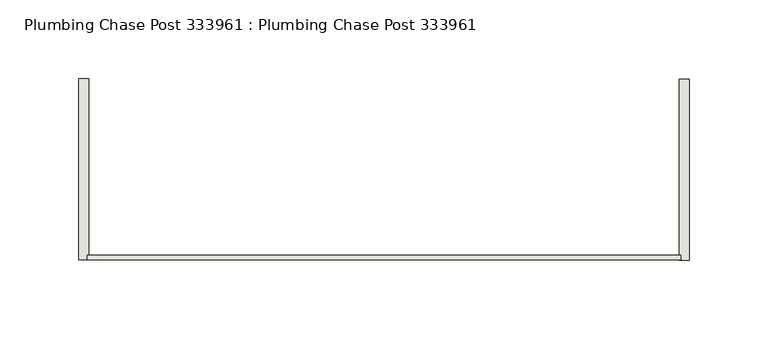
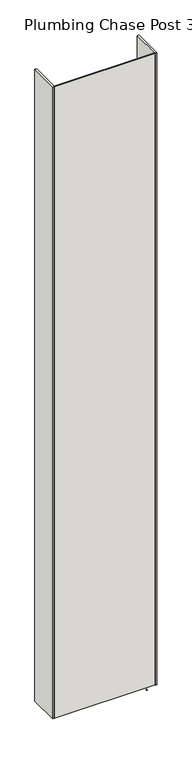
"""IFC4 building model written with IfcOpenShell, lengths in millimetres: wall geometry, Plumbing Chase Post 333961 : Plumbing Chase Post 333961."""

import ifcopenshell
import ifcopenshell.guid

model = None  # the IFC model being written
_history = None  # IfcOwnerHistory: only IFC2X3 demands one
_inside = {}  # id of a spatial element -> (the spatial element, [elements in it])
_under = {}  # id of a project, library or spatial element -> (it, [spatial elements below it])
_declared = {}  # id of a project -> (the project, [libraries it declares])
_typed = {}  # id of a type object -> (the type object, [elements of that type])
_made_of = {}  # id of a material, layer set ... -> (it, [elements and type objects made of it])


def new_model(schema):
    """Start an empty IFC model of exactly this schema.

    Asked for "IFC4X3", IfcOpenShell would pick the latest addendum, in which some entities
    have other attributes; the version numbers below select the first issue.
    IFC2X3 requires an IfcOwnerHistory on every rooted entity: one is made here for all.
    """
    global model, _history
    if schema == "IFC4X3":
        model = ifcopenshell.file(schema_version=(4, 3, 0, 0))
    else:
        model = ifcopenshell.file(schema=schema)
    _inside.clear()
    _under.clear()
    _declared.clear()
    _typed.clear()
    _made_of.clear()
    _history = None
    if model.schema == "IFC2X3":
        org = make("IfcOrganization", Name="unknown")
        user = make(
            "IfcPersonAndOrganization",
            ThePerson=make("IfcPerson", FamilyName="unknown"),
            TheOrganization=org,
        )
        app = make(
            "IfcApplication",
            ApplicationDeveloper=org,
            Version="unknown",
            ApplicationFullName="unknown",
            ApplicationIdentifier="unknown",
        )
        _history = make(
            "IfcOwnerHistory",
            OwningUser=user,
            OwningApplication=app,
            ChangeAction="ADDED",
            CreationDate=0,
        )
    return model


def make(cls, **values):
    """One entity of the class cls with the attributes given. An attribute that is None is left unset."""
    return model.create_entity(
        cls, **{name: value for name, value in values.items() if value is not None}
    )


def rooted(cls, **values):
    """An entity with a GlobalId (a new one), such as an element, a storey or a relation."""
    return make(cls, GlobalId=ifcopenshell.guid.new(), OwnerHistory=_history, **values)


def si_unit(unit_type, name, prefix=None):
    """IfcSIUnit, for example si_unit("LENGTHUNIT", "METRE", prefix="MILLI")."""
    return make("IfcSIUnit", UnitType=unit_type, Prefix=prefix, Name=name)


def assignment(units):
    """IfcUnitAssignment: the units of a project."""
    return None if units is None else make("IfcUnitAssignment", Units=units)


def point(xyz):
    """IfcCartesianPoint."""
    return None if xyz is None else make("IfcCartesianPoint", Coordinates=xyz)


def direction(xyz):
    """IfcDirection."""
    return None if xyz is None else make("IfcDirection", DirectionRatios=xyz)


def frame(location, z_axis=None, x_axis=None):
    """IfcAxis2Placement3D, a coordinate frame: its origin and axes. An axis left out is left unset."""
    return make(
        "IfcAxis2Placement3D",
        Location=point(location),
        Axis=direction(z_axis),
        RefDirection=direction(x_axis),
    )


def origin():
    """The frame at (0, 0, 0) with its axes left unset."""
    return frame((0.0, 0.0, 0.0))


def place(relative_to, where):
    """IfcLocalPlacement: puts the frame where relative to a parent placement (None: the world)."""
    return make(
        "IfcLocalPlacement", PlacementRelTo=relative_to, RelativePlacement=where
    )


def context(
    kind, dimensions, precision=None, world=None, true_north=None, identifier=None
):
    """IfcGeometricRepresentationContext, for example the 3D "Model" context."""
    return make(
        "IfcGeometricRepresentationContext",
        ContextIdentifier=identifier,
        ContextType=kind,
        CoordinateSpaceDimension=dimensions,
        Precision=precision,
        WorldCoordinateSystem=world,
        TrueNorth=true_north,
    )


def project(units=None, contexts=None):
    """IfcProject with its units and contexts."""
    return rooted(
        "IfcProject",
        Name="project",
        RepresentationContexts=contexts,
        UnitsInContext=assignment(units),
    )


def spatial(cls, under=None, at=None, **own):
    """A site, building, storey or space (cls), placed at a placement, below another one or the project."""
    s = rooted(cls, ObjectPlacement=at, **own)
    if under is not None:
        _under.setdefault(under.id(), (under, []))[1].append(s)
    return s


def polyline(points):
    """IfcPolyline through the points."""
    return make("IfcPolyline", Points=[point(p) for p in points])


def outline(outer, holes=None, kind="AREA"):
    """IfcArbitraryClosedProfileDef: a profile drawn as a closed curve; with holes, ...WithVoids."""
    if holes is None:
        return make("IfcArbitraryClosedProfileDef", ProfileType=kind, OuterCurve=outer)
    return make(
        "IfcArbitraryProfileDefWithVoids",
        ProfileType=kind,
        OuterCurve=outer,
        InnerCurves=holes,
    )


def extrude(swept, where, along, depth):
    """IfcExtrudedAreaSolid: the profile swept, set in the frame where, extruded along a direction by depth."""
    return make(
        "IfcExtrudedAreaSolid",
        SweptArea=swept,
        Position=where,
        ExtrudedDirection=direction(along),
        Depth=depth,
    )


def shape(context_of_items, identifier, shape_type, items):
    """IfcShapeRepresentation: the items that make up one representation, for example the "Body"."""
    return make(
        "IfcShapeRepresentation",
        ContextOfItems=context_of_items,
        RepresentationIdentifier=identifier,
        RepresentationType=shape_type,
        Items=items,
    )


def source(mapping_origin, context_of_items, identifier, shape_type, items):
    """IfcRepresentationMap: a shape defined once, which mapped items show again and again."""
    return make(
        "IfcRepresentationMap",
        MappingOrigin=mapping_origin,
        MappedRepresentation=shape(context_of_items, identifier, shape_type, items),
    )


def transform(
    local_origin,
    x_axis=None,
    y_axis=None,
    z_axis=None,
    scale=None,
    scale2=None,
    scale3=None,
    uniform=True,
):
    """IfcCartesianTransformationOperator3D, or its non-uniform kind. x_axis, y_axis, z_axis: its Axis1, 2, 3."""
    if uniform:
        return make(
            "IfcCartesianTransformationOperator3D",
            Axis1=direction(x_axis),
            Axis2=direction(y_axis),
            LocalOrigin=point(local_origin),
            Scale=scale,
            Axis3=direction(z_axis),
        )
    return make(
        "IfcCartesianTransformationOperator3DnonUniform",
        Axis1=direction(x_axis),
        Axis2=direction(y_axis),
        LocalOrigin=point(local_origin),
        Scale=scale,
        Axis3=direction(z_axis),
        Scale2=scale2,
        Scale3=scale3,
    )


def mapped(mapping_source, mapping_target):
    """IfcMappedItem: shows the shape of a source again, moved by a transform."""
    return make(
        "IfcMappedItem", MappingSource=mapping_source, MappingTarget=mapping_target
    )


def made_of(thing, what):
    """Note that an element or type object is made of a material, layer set ...; save() writes the relation."""
    if what is not None:
        _made_of.setdefault(what.id(), (what, []))[1].append(thing)
    return thing


def element(
    cls,
    number,
    at=None,
    inside=None,
    cuts=None,
    type_object=None,
    material=None,
    context=None,
    identifier="Body",
    shape_type=None,
    held_by="IfcProductDefinitionShape",
    body=None,
    shapes=None,
    **own,
):
    """One element of the class cls, such as IfcWall. Its Tag is "e" and its number.

    at: its placement. inside: the storey or other place that contains it. cuts: it is an
    opening in that element (IfcRelVoidsElement). A single representation is given by context,
    identifier, shape_type and body (its items); several are given by shapes. held_by: the class
    of the entity that holds the representations. save() writes the other relations.
    """
    e = rooted(cls, Tag="e%d" % number, ObjectPlacement=at, **own)
    if body is not None:
        shapes = [shape(context, identifier, shape_type, body)]
    if shapes is not None:
        e.Representation = make(held_by, Representations=shapes)
    if inside is not None:
        _inside.setdefault(inside.id(), (inside, []))[1].append(e)
    if cuts is not None:
        rooted(
            "IfcRelVoidsElement", RelatingBuildingElement=cuts, RelatedOpeningElement=e
        )
    if type_object is not None:
        _typed.setdefault(type_object.id(), (type_object, []))[1].append(e)
    return made_of(e, material)


def aggregate(whole, parts):
    """IfcRelAggregates: a whole, such as a stair, and the parts it consists of."""
    return rooted("IfcRelAggregates", RelatingObject=whole, RelatedObjects=parts)


def save(model, path):
    """Write the relations noted so far, then the file.

    IfcRelAggregates (storeys below a building ...), IfcRelContainedInSpatialStructure (elements
    in a storey), IfcRelDefinesByType, IfcRelAssociatesMaterial and IfcRelDeclares: one each for
    every whole, place, type object, material and project.
    """
    for whole, parts in _under.values():
        aggregate(whole, parts)
    for where, things in _inside.values():
        rooted(
            "IfcRelContainedInSpatialStructure",
            RelatedElements=things,
            RelatingStructure=where,
        )
    for kind, things in _typed.values():
        rooted("IfcRelDefinesByType", RelatedObjects=things, RelatingType=kind)
    for what, things in _made_of.values():
        rooted("IfcRelAssociatesMaterial", RelatedObjects=things, RelatingMaterial=what)
    for by, libraries in _declared.values():
        rooted("IfcRelDeclares", RelatingContext=by, RelatedDefinitions=libraries)
    model.write(path)


def plumbing_chase_post_333961_plumbing_chase_post_333961_7a351b10(model_context):
    return source(origin(), model_context, "Body", "SweptSolid", [
        extrude(outline(polyline([(84338.4688132, -44119.5873004), (84341.0088132, -44119.5873004), (84341.0088132, -44122.1273004), (84338.4688132, -44122.1273004), (84338.4688132, -44119.5873004)])), frame((0.0, 0.0, 4419.6), z_axis=(0.0, 0.0, 1.0), x_axis=(1.0, 0.0, 0.0)), (0.0, 0.0, 1.0), 2.54),
        extrude(outline(polyline([(84338.3125524, -44177.9142856), (83962.695168, -44177.9142856), (83962.695168, -44175.2477682), (84338.3125524, -44175.2477682), (84338.3125524, -44177.9142856)])), frame((0.0, 0.0, 4474.8958), z_axis=(0.0, 0.0, 1.0), x_axis=(1.0, 0.0, 0.0)), (0.0, 0.0, 1.0), 2481.1482254),
        extrude(outline(polyline([(84338.3125524, -44177.9142856), (83962.695168, -44177.9142856), (83962.695168, -44175.2477682), (84338.3125524, -44175.2477682), (84338.3125524, -44177.9142856)])), frame((0.0, 0.0, 4474.8958), z_axis=(0.0, 0.0, 1.0), x_axis=(1.0, 0.0, 0.0)), (0.0, 0.0, 1.0), 2481.1482254),
        extrude(outline(polyline([(84343.695168, -44063.7941176), (84343.695168, -44178.2212446), (84337.5746062, -44178.2212446), (84337.5746062, -44063.7941176), (84343.695168, -44063.7941176)])), frame((0.0, 0.0, 4474.8958), z_axis=(0.0, 0.0, 1.0), x_axis=(1.0, 0.0, 0.0)), (0.0, 0.0, 1.0), 2481.1482254),
        extrude(outline(polyline([(84343.695168, -44063.7941176), (84343.695168, -44178.2212446), (84337.5746062, -44178.2212446), (84337.5746062, -44063.7941176), (84343.695168, -44063.7941176)])), frame((0.0, 0.0, 4474.8958), z_axis=(0.0, 0.0, 1.0), x_axis=(1.0, 0.0, 0.0)), (0.0, 0.0, 1.0), 2481.1482254),
        extrude(outline(polyline([(83957.3125524, -44177.9142856), (83957.3125524, -44063.4871586), (83963.4331142, -44063.4871586), (83963.4331142, -44177.9142856), (83957.3125524, -44177.9142856)])), frame((0.0, 0.0, 4474.8958), z_axis=(0.0, 0.0, 1.0), x_axis=(1.0, 0.0, 0.0)), (0.0, 0.0, 1.0), 2481.1482254),
        extrude(outline(polyline([(83957.3125524, -44177.9142856), (83957.3125524, -44063.4871586), (83963.4331142, -44063.4871586), (83963.4331142, -44177.9142856), (83957.3125524, -44177.9142856)])), frame((0.0, 0.0, 4474.8958), z_axis=(0.0, 0.0, 1.0), x_axis=(1.0, 0.0, 0.0)), (0.0, 0.0, 1.0), 2481.1482254),
    ])


if __name__ == "__main__":
    model = new_model("IFC4")
    model_context = context("Model", 3, world=origin())
    ifc_project = project(units=[si_unit("LENGTHUNIT", "METRE", prefix="MILLI")], contexts=[model_context])
    site = spatial("IfcSite", under=ifc_project)
    building = spatial("IfcBuilding", under=site)
    placement = place(None, origin())
    plumbing_chase_post_333961_plumbing_chase_post_333961_shape = plumbing_chase_post_333961_plumbing_chase_post_333961_7a351b10(model_context)
    element("IfcWall", 1, ObjectType="Plumbing Chase Post 333961 : Plumbing Chase Post 333961", at=placement, inside=building, context=model_context, shape_type="MappedRepresentation", body=[
        mapped(plumbing_chase_post_333961_plumbing_chase_post_333961_shape, transform((0.0, 0.0, 0.0), x_axis=(1.0, 0.0, 0.0), y_axis=(0.0, 1.0, 0.0), z_axis=(0.0, 0.0, 1.0))),
    ])
    save(model, "model.ifc")
